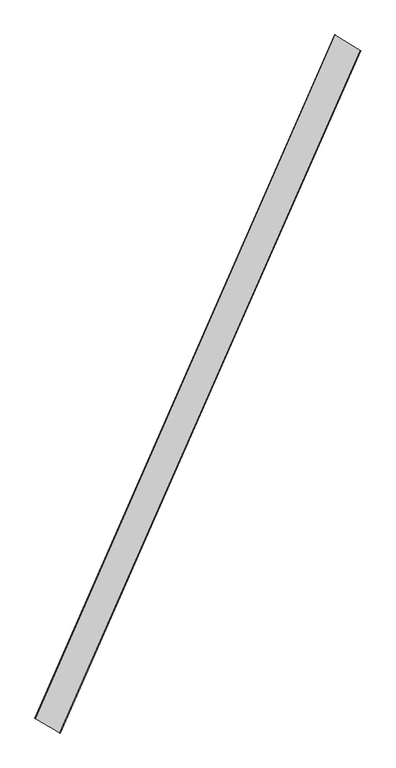
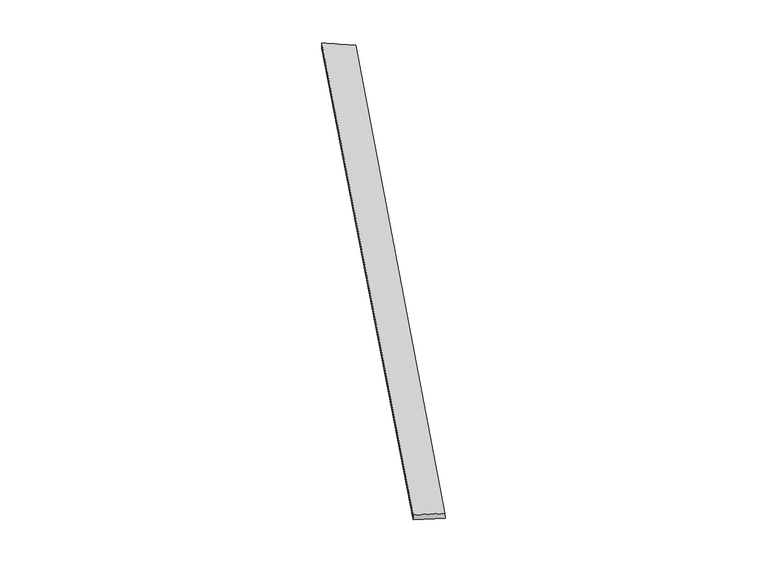
"""IFC4 building model written with IfcOpenShell, lengths in millimetres: proxy geometry."""

from ifc_helpers import new_model, si_unit, origin, place, context, project, spatial, source, transform, mapped, element, save
from ifc_brep_helpers import spline_surface, advanced_brep


def generic_models_1e8465ac(model_context):
    return source(origin(), model_context, "Body", "AdvancedBrep", [
        advanced_brep(
        [(-675.4634389, -1711.1740453, 4.9907833), (-674.3445972, -1711.7457501, -24.9828942), (961.5462324, 2009.165312, -34.573851), (964.4102393, 2007.9805224, -4.7343849), (-808.9125009, -1632.3096523, -34.8800876), (822.2482671, 2094.6586363, -25.2684204), (-811.265306, -1631.356064, -4.9876976), (822.3185057, 2094.5495869, 4.7312992)],
        [
            (0, 1),
            (1, 2),
            (2, 3),
            (3, 0),
            (1, 4),
            (4, 5),
            (5, 2),
            (4, 6),
            (6, 7),
            (7, 5),
            (6, 0),
            (3, 7),
        ],
        [
            spline_surface(1, 1, [[(-675.4634389, -1711.1740453, 4.9907833), (964.4102393, 2007.9805224, -4.7343849)], [(-674.3445972, -1711.7457501, -24.9828942), (961.5462324, 2009.165312, -34.573851)]], [2, 2], [2, 2], [0.0, 1.0], [0.0, 1.0]),
            spline_surface(1, 1, [[(-674.3445972, -1711.7457501, -24.9828942), (961.5462324, 2009.165312, -34.573851)], [(-808.9125009, -1632.3096523, -34.8800876), (822.2482671, 2094.6586363, -25.2684204)]], [2, 2], [2, 2], [0.0, 1.0], [0.0, 1.0]),
            spline_surface(1, 1, [[(-808.9125009, -1632.3096523, -34.8800876), (822.2482671, 2094.6586363, -25.2684204)], [(-811.265306, -1631.356064, -4.9876976), (822.3185057, 2094.5495869, 4.7312992)]], [2, 2], [2, 2], [0.0, 1.0], [0.0, 1.0]),
            spline_surface(1, 1, [[(-811.265306, -1631.356064, -4.9876976), (822.3185057, 2094.5495869, 4.7312992)], [(-675.4634389, -1711.1740453, 4.9907833), (964.4102393, 2007.9805224, -4.7343849)]], [2, 2], [2, 2], [0.0, 1.0], [0.0, 1.0]),
            spline_surface(1, 1, [[(961.5462324, 2009.165312, -34.573851), (964.4102393, 2007.9805224, -4.7343849)], [(822.2482671, 2094.6586363, -25.2684204), (822.3185057, 2094.5495869, 4.7312992)]], [2, 2], [2, 2], [0.0, 1.0], [0.0, 1.0]),
            spline_surface(1, 1, [[(-811.265306, -1631.356064, -4.9876976), (-675.4634389, -1711.1740453, 4.9907833)], [(-808.9125009, -1632.3096523, -34.8800876), (-674.3445972, -1711.7457501, -24.9828942)]], [2, 2], [2, 2], [0.0, 1.0], [0.0, 1.0]),
        ],
        [
            (0, [[1, 2, 3, 4]]),
            (1, [[5, 6, 7, -2]]),
            (2, [[8, 9, 10, -6]]),
            (3, [[11, -4, 12, -9]]),
            (4, [[-3, -7, -10, -12]]),
            (5, [[-11, -8, -5, -1]]),
        ],
    ),
    ])


if __name__ == "__main__":
    model = new_model("IFC4")
    model_context = context("Model", 3, world=origin())
    ifc_project = project(units=[si_unit("LENGTHUNIT", "METRE", prefix="MILLI")], contexts=[model_context])
    site = spatial("IfcSite", under=ifc_project)
    building = spatial("IfcBuilding", under=site)
    placement = place(None, origin())
    generic_models_shape = generic_models_1e8465ac(model_context)
    element("IfcBuildingElementProxy", 1, Name="Generic Models", at=placement, inside=building, context=model_context, shape_type="MappedRepresentation", body=[
        mapped(generic_models_shape, transform((0.0, 0.0, 0.0), x_axis=(1.0, 0.0, 0.0), y_axis=(0.0, 1.0, 0.0), z_axis=(0.0, 0.0, 1.0))),
    ])
    save(model, "model.ifc")
